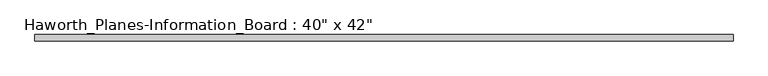
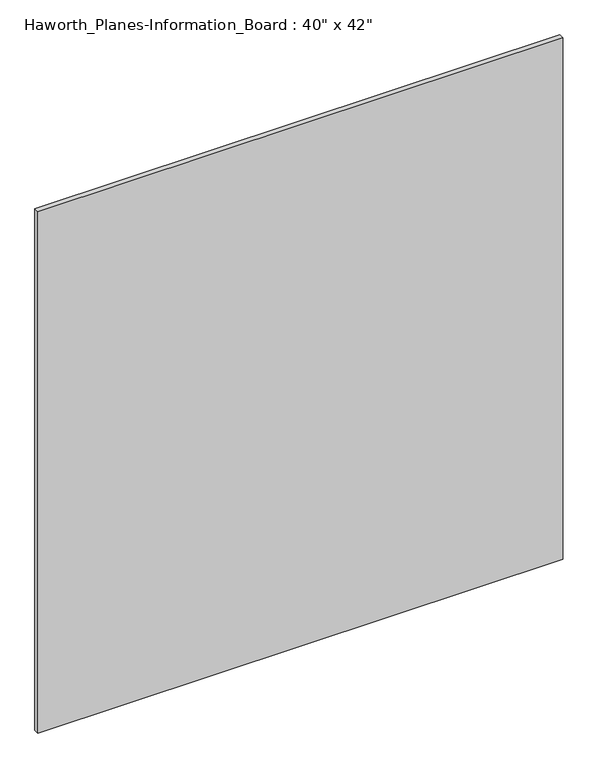
"""IFC4 building model written with IfcOpenShell, lengths in millimetres: furniture geometry."""

from ifc_helpers import new_model, si_unit, frame, origin, place, context, project, spatial, polyline, outline, extrude, source, transform, mapped, element, save


def furniture_696c78e5(model_context):
    return source(origin(), model_context, "Body", "SweptSolid", [
        extrude(outline(polyline([(508.0, -9.525), (-508.0, -9.525), (-508.0, 0.0), (508.0, 0.0), (508.0, -9.525)])), frame((0.0, 0.0, 914.4), z_axis=(0.0, 0.0, 1.0), x_axis=(1.0, 0.0, 0.0)), (0.0, 0.0, 1.0), 1066.8),
    ])


if __name__ == "__main__":
    model = new_model("IFC4")
    model_context = context("Model", 3, world=origin())
    ifc_project = project(units=[si_unit("LENGTHUNIT", "METRE", prefix="MILLI")], contexts=[model_context])
    site = spatial("IfcSite", under=ifc_project)
    building = spatial("IfcBuilding", under=site)
    placement = place(None, origin())
    furniture_shape = furniture_696c78e5(model_context)
    element("IfcFurniture", 1, ObjectType="Haworth_Planes-Information_Board : 40\" x 42\"", at=placement, inside=building, context=model_context, shape_type="MappedRepresentation", body=[
        mapped(furniture_shape, transform((0.0, 0.0, 0.0), x_axis=(1.0, 0.0, 0.0), y_axis=(0.0, 1.0, 0.0), z_axis=(0.0, 0.0, 1.0))),
    ])
    save(model, "model.ifc")
